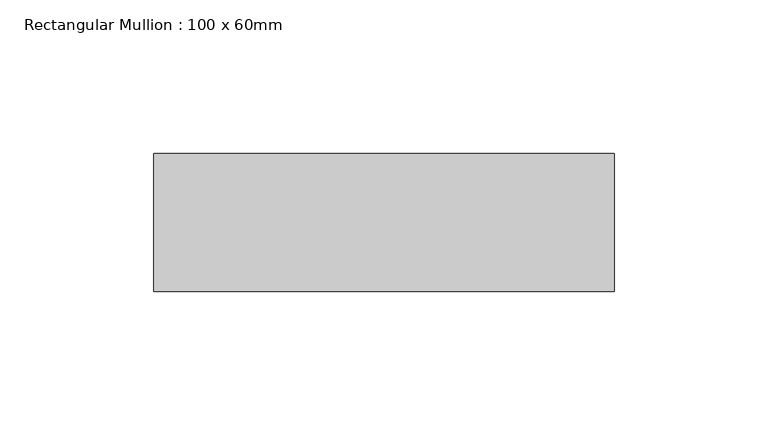
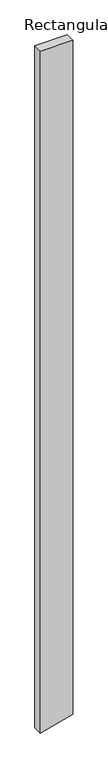
"""IFC4 building model written with IfcOpenShell, lengths in millimetres: member geometry, Rectangular Mullion : 100 x 60mm."""

from ifc_helpers import new_model, si_unit, frame, origin, place, context, project, spatial, polyline, outline, extrude, source, transform, mapped, element, save


def rectangular_mullion_100_x_60mm_760282e9(model_context):
    return source(origin(), model_context, "Body", "SweptSolid", [
        extrude(outline(polyline([(0.0, 75.0), (0.0, -75.0), (-3364.5246597, -75.0), (-3361.7660588, -64.7047613), (-3324.3322809, 75.0), (0.0, 75.0)])), frame((0.0, -30.0, 0.0), z_axis=(0.0, 1.0, 0.0), x_axis=(0.0, 0.0, 1.0)), (0.0, 0.0, 1.0), 45.0),
    ])


if __name__ == "__main__":
    model = new_model("IFC4")
    model_context = context("Model", 3, world=origin())
    ifc_project = project(units=[si_unit("LENGTHUNIT", "METRE", prefix="MILLI")], contexts=[model_context])
    site = spatial("IfcSite", under=ifc_project)
    building = spatial("IfcBuilding", under=site)
    placement = place(None, origin())
    rectangular_mullion_100_x_60mm_shape = rectangular_mullion_100_x_60mm_760282e9(model_context)
    element("IfcMember", 1, ObjectType="Rectangular Mullion : 100 x 60mm", at=placement, inside=building, context=model_context, shape_type="MappedRepresentation", body=[
        mapped(rectangular_mullion_100_x_60mm_shape, transform((0.0, 0.0, 0.0), x_axis=(1.0, 0.0, 0.0), y_axis=(0.0, 1.0, 0.0), z_axis=(0.0, 0.0, 1.0))),
    ])
    save(model, "model.ifc")
